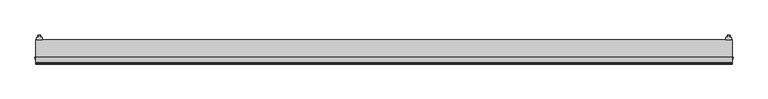
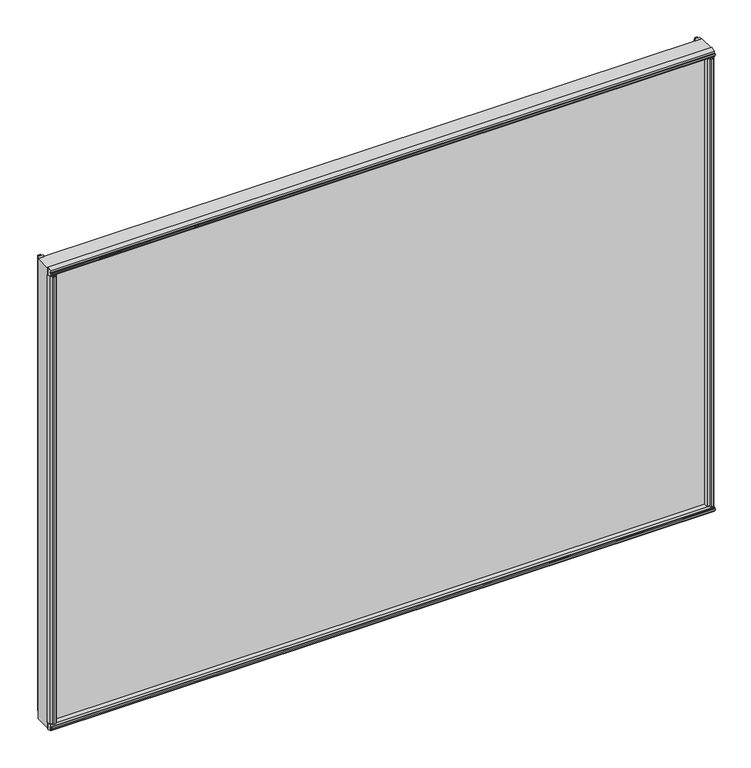
"""IFC4 building model written with IfcOpenShell, lengths in millimetres: plate geometry."""

from ifc_helpers import new_model, si_unit, frame, origin, origin_with_axes, place, context, project, spatial, polyline, outline, extrude, source, transform, mapped, element, save


def plate_1cdbcbbc(model_context):
    return source(origin(), model_context, "Body", "SweptSolid", [
        extrude(outline(polyline([(585.7748, 4.7498), (589.28, 4.7498), (589.7626, 7.4676), (588.2132, 7.2136), (588.2132, 8.0264), (590.55, 8.4328), (592.8868, 8.0264), (592.8868, 7.2136), (591.3374, 7.4676), (591.82, 4.7498), (595.3252, 4.7498), (595.8529556, 2.498043), (595.3252, 0.0), (585.7748, 0.0), (585.2470444, 2.498043), (585.7748, 4.7498)])), frame((0.0, 0.0, 12.303125), z_axis=(0.0, 0.0, 1.0), x_axis=(1.0, 0.0, 0.0)), (0.0, 0.0, 1.0), 863.3569979),
        extrude(outline(polyline([(-591.82, 4.7498), (-591.3374, 7.4676), (-592.8868, 7.2136), (-592.8868, 8.0264), (-590.55, 8.4328), (-588.2132, 8.0264), (-588.2132, 7.2136), (-589.7626, 7.4676), (-589.28, 4.7498), (-585.7748, 4.7498), (-585.2470444, 2.498043), (-585.7748, 0.0), (-595.3252, 0.0), (-595.8529556, 2.498043), (-595.3252, 4.7498), (-591.82, 4.7498)])), frame((0.0, 0.0, 12.303125), z_axis=(0.0, 0.0, 1.0), x_axis=(1.0, 0.0, 0.0)), (0.0, 0.0, 1.0), 863.3569979),
        extrude(outline(polyline([(-590.5534571, -39.5931295), (-589.0049754, -39.3335897), (-589.0020684, -40.1463845), (-591.3374, -40.5611395), (-593.6756386, -40.1630997), (-593.6756386, -39.3503049), (-592.128247, -39.5987618), (-592.6205727, -36.8826581), (-596.9159219, -36.8826581), (-598.1381967, -30.1244), (-584.6198239, -30.1244), (-585.7880079, -36.8582683), (-590.0779109, -36.8582683), (-590.5534571, -39.5931295)])), frame((0.0, 0.0, 12.303125), z_axis=(0.0, 0.0, 1.0), x_axis=(1.0, 0.0, 0.0)), (0.0, 0.0, 1.0), 850.6569979),
        extrude(outline(polyline([(592.128247, -39.5987618), (593.6742, -39.3510013), (593.6742, -40.1633446), (591.3374, -40.5611395), (589.0006, -40.1461237), (589.0006, -39.3328563), (590.5534571, -39.5931295), (590.0805804, -36.8736209), (585.7880079, -36.8736209), (584.6198239, -30.1244), (598.1381967, -30.1244), (596.9159134, -36.8827052), (592.6205642, -36.8827052), (592.128247, -39.5987618)])), frame((0.0, 0.0, 12.303125), z_axis=(0.0, 0.0, 1.0), x_axis=(1.0, 0.0, 0.0)), (0.0, 0.0, 1.0), 850.6569979),
        extrude(outline(polyline([(-30.1244, 12.8880688), (-30.1244, -1.5575618), (-38.3876619, 0.3386981), (-37.7963354, 4.590374), (-40.4217442, 5.4427636), (-40.3836033, 3.8731454), (-41.1886544, 3.9851125), (-41.269274, 6.3556179), (-40.5448426, 8.6141559), (-39.7397916, 8.5021887), (-40.2048076, 7.00255), (-37.4464371, 7.1061584), (-36.8551106, 11.3578343), (-30.1244, 12.8880688)])), frame((-596.9, 0.0, 0.0), z_axis=(1.0, 0.0, 0.0), x_axis=(0.0, 1.0, 0.0)), (0.0, 0.0, 1.0), 1193.8),
        extrude(outline(polyline([(-596.9, 0.0), (596.9, 0.0), (596.9, -30.1244), (-596.9, -30.1244), (-596.9, 0.0)])), origin_with_axes(), (0.0, 0.0, 1.0), 875.6601229),
        extrude(outline(polyline([(-41.1923071, 871.6745024), (-40.3836033, 871.7869776), (-40.4217442, 870.2173594), (-37.7963354, 871.0697489), (-38.3876619, 875.3214248), (-30.1244, 877.2176847), (-30.1244, 862.7720542), (-36.8551106, 864.3022887), (-37.4489919, 868.5723337), (-40.2048076, 868.657573), (-39.7397916, 867.1579342), (-40.5448426, 867.045967), (-41.269274, 869.304505), (-41.1923071, 871.6745024)])), frame((-596.9, 0.0, 0.0), z_axis=(1.0, 0.0, 0.0), x_axis=(0.0, 1.0, 0.0)), (0.0, 0.0, 1.0), 1193.8),
    ])


if __name__ == "__main__":
    model = new_model("IFC4")
    model_context = context("Model", 3, world=origin())
    ifc_project = project(units=[si_unit("LENGTHUNIT", "METRE", prefix="MILLI")], contexts=[model_context])
    site = spatial("IfcSite", under=ifc_project)
    building = spatial("IfcBuilding", under=site)
    placement = place(None, origin())
    plate_shape = plate_1cdbcbbc(model_context)
    element("IfcPlate", 1, at=placement, inside=building, context=model_context, shape_type="MappedRepresentation", body=[
        mapped(plate_shape, transform((0.0, 0.0, 0.0), x_axis=(1.0, 0.0, 0.0), y_axis=(0.0, 1.0, 0.0), z_axis=(0.0, 0.0, 1.0))),
    ])
    save(model, "model.ifc")
